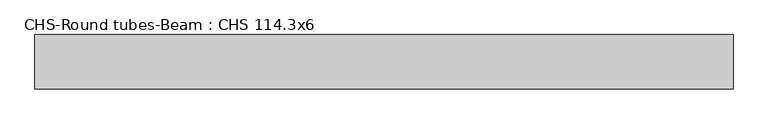
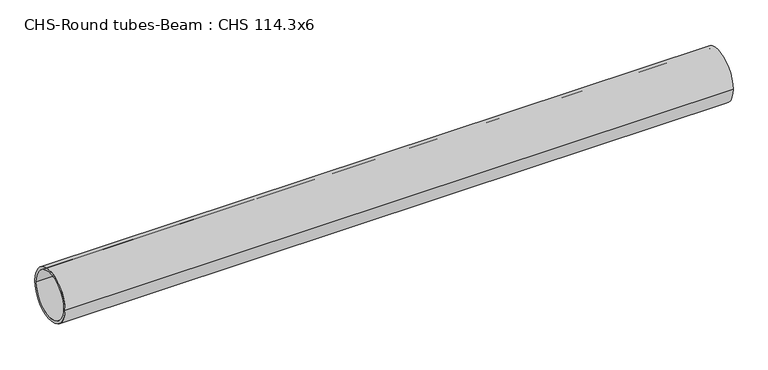
"""IFC4 building model written with IfcOpenShell, lengths in millimetres: beam geometry, CHS-Round tubes-Beam : CHS 114.3x6."""

from ifc_helpers import new_model, si_unit, point, frame, origin, origin_2d, place, context, project, spatial, circle_curve, trimmed, segment, composite_curve, outline, extrude, source, transform, mapped, element, save


def chs_round_tubes_beam_chs_114_3x6_b81eb3d8(model_context):
    return source(origin(), model_context, "Body", "SweptSolid", [
        extrude(outline(composite_curve([segment(trimmed(circle_curve(origin_2d(), 57.15), [point((57.15, 0.0))], [point((-57.15, 0.0))], False, "CARTESIAN"), True, "CONTINUOUS"), segment(trimmed(circle_curve(origin_2d(), 57.15), [point((-57.15, 0.0))], [point((57.15, 0.0))], False, "CARTESIAN"), True, "CONTINUOUS")], self_intersect=False), holes=[composite_curve([segment(trimmed(circle_curve(origin_2d(), 51.15), [point((51.15, 0.0))], [point((-51.15, 0.0))], True, "CARTESIAN"), True, "CONTINUOUS"), segment(trimmed(circle_curve(origin_2d(), 51.15), [point((-51.15, 0.0))], [point((51.15, 0.0))], True, "CARTESIAN"), True, "CONTINUOUS")], self_intersect=False)]), frame((-703.043354, 0.0, 0.0), z_axis=(1.0, 0.0, 0.0), x_axis=(0.0, 1.0, 0.0)), (0.0, 0.0, 1.0), 1467.1259166),
    ])


if __name__ == "__main__":
    model = new_model("IFC4")
    model_context = context("Model", 3, world=origin())
    ifc_project = project(units=[si_unit("LENGTHUNIT", "METRE", prefix="MILLI")], contexts=[model_context])
    site = spatial("IfcSite", under=ifc_project)
    building = spatial("IfcBuilding", under=site)
    placement = place(None, origin())
    chs_round_tubes_beam_chs_114_3x6_shape = chs_round_tubes_beam_chs_114_3x6_b81eb3d8(model_context)
    element("IfcBeam", 1, ObjectType="CHS-Round tubes-Beam : CHS 114.3x6", at=placement, inside=building, context=model_context, shape_type="MappedRepresentation", body=[
        mapped(chs_round_tubes_beam_chs_114_3x6_shape, transform((0.0, 0.0, 0.0), x_axis=(1.0, 0.0, 0.0), y_axis=(0.0, 1.0, 0.0), z_axis=(0.0, 0.0, 1.0))),
    ])
    save(model, "model.ifc")
